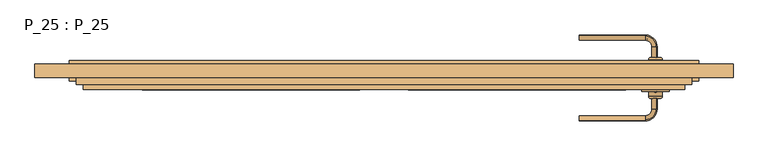
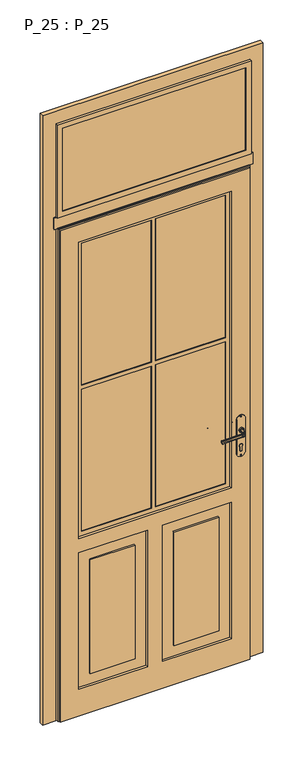
"""IFC4 building model written with IfcOpenShell, lengths in millimetres: door geometry, P_25 : P_25."""

from ifc_helpers import new_model, si_unit, point, frame, frame_2d, origin, place, context, project, spatial, polyline, circle_curve, ellipse_curve, trimmed, segment, composite_curve, outline, extrude, faceted_brep, source, transform, mapped, element, save
from ifc_brep_helpers import plane_surface, cylinder_surface, revolved_surface, extruded_surface, advanced_brep


def p_25_p_25_cb951100(model_context):
    return source(origin(), model_context, "Body", "SolidModel", [
        advanced_brep(
        [(394.9273163, 40.0, 1193.1672527), (390.4503476, 40.0, 1193.1672527), (392.688832, 40.0, 1193.1672527), (392.688832, 39.0934411, 1193.1672527)],
        [
            (0, 1, circle_curve(frame((392.688832, 40.0, 1193.1672527), z_axis=(0.0, 1.0, 0.0), x_axis=(-1.0, 0.0, 0.0)), 2.2384844)),
            (1, 2),
            (2, 0),
            (1, 0, circle_curve(frame((392.688832, 40.0, 1193.1672527), z_axis=(0.0, 1.0, 0.0), x_axis=(-1.0, 0.0, 0.0)), 2.2384844)),
            (3, 1, circle_curve(frame((392.688832, 42.3103648, 1193.1672527), z_axis=(0.0, 0.0, -1.0), x_axis=(0.0, -1.0, 0.0)), 3.2169236)),
            (0, 3, circle_curve(frame((392.688832, 42.3103648, 1193.1672527), z_axis=(0.0, 0.0, -1.0), x_axis=(0.0, -1.0, 0.0)), 3.2169236)),
        ],
        [
            plane_surface(frame((392.688832, 40.0, 1193.1672527), z_axis=(0.0, 1.0, 0.0), x_axis=(-1.0, 0.0, 0.0))),
            revolved_surface(trimmed(ellipse_curve(frame((392.688832, 42.3103648, 1193.1672527), z_axis=(0.0, 0.0, 1.0), x_axis=(0.0, -1.0, 0.0)), 3.2169236, 3.2169236), [point((390.4503476, 40.0, 1193.1672527))], [point((392.688832, 39.0934411, 1193.1672527))], True, "CARTESIAN"), (392.688832, 45.6130164, 1193.1672527), (0.0, -1.0, 0.0)),
        ],
        [
            (0, [[1, 2, 3]]),
            (0, [[4, -3, -2]]),
            (1, [[5, -1, 6]]),
            (1, [[-6, -4, -5]]),
        ],
    ),
        advanced_brep(
        [(393.9516044, 30.5, 1137.25687), (393.1589786, 30.5, 1134.910789), (393.1589786, 30.5, 1125.089211), (394.5519599, 30.5, 1123.0401367), (282.688832, -1.2627725, 1137.25687), (282.688832, -1.8631279, 1123.0401367), (282.688832, -0.4701466, 1125.089211), (282.688832, -0.4701466, 1134.910789), (394.5519599, 15.0, 1123.0401367), (393.9516044, 15.0, 1137.25687), (377.688832, -1.2627725, 1137.25687), (377.688832, -1.8631279, 1123.0401367), (393.1589786, 15.0, 1134.910789), (393.1589786, 15.0, 1125.089211), (377.688832, -0.4701466, 1134.910789), (377.688832, -0.4701466, 1125.089211)],
        [
            (0, 1, circle_curve(frame((393.7177685, 30.5, 1136.0289365), z_axis=(0.0, 1.0, 0.0), x_axis=(1.0, 0.0, 0.0)), 1.25)),
            (1, 2, ellipse_curve(frame((392.688832, 30.5, 1130.0), z_axis=(0.0, -1.0, 0.0), x_axis=(-1.0, 0.0, 0.0)), 2.5, 5.0)),
            (2, 3, circle_curve(frame((393.7177685, 30.5, 1123.9710635), z_axis=(0.0, 1.0, 0.0), x_axis=(1.0, 0.0, 0.0)), 1.25)),
            (3, 0, ellipse_curve(frame((392.688832, 30.5, 1130.0), z_axis=(0.0, 1.0, 0.0), x_axis=(0.0, 0.0, -1.0)), 7.5, 5.0)),
            (4, 5, ellipse_curve(frame((282.688832, 0.0, 1130.0), z_axis=(-1.0, 0.0, 0.0), x_axis=(0.0, 0.0, -1.0)), 7.5, 5.0)),
            (5, 6, circle_curve(frame((282.688832, -1.0289365, 1123.9710635), z_axis=(-1.0, 0.0, 0.0), x_axis=(0.0, -1.0, 0.0)), 1.25)),
            (6, 7, ellipse_curve(frame((282.688832, 0.0, 1130.0), z_axis=(1.0, 0.0, 0.0), x_axis=(0.0, 1.0, 0.0)), 2.5, 5.0)),
            (7, 4, circle_curve(frame((282.688832, -1.0289365, 1136.0289365), z_axis=(-1.0, 0.0, 0.0), x_axis=(0.0, -1.0, 0.0)), 1.25)),
            (3, 8),
            (8, 9, ellipse_curve(frame((392.688832, 15.0, 1130.0), z_axis=(0.0, 1.0, 0.0), x_axis=(0.0, 0.0, -1.0)), 7.5, 5.0)),
            (9, 0),
            (10, 11, ellipse_curve(frame((377.688832, 0.0, 1130.0), z_axis=(-1.0, 0.0, 0.0), x_axis=(0.0, 0.0, -1.0)), 7.5, 5.0)),
            (11, 5),
            (4, 10),
            (9, 12, circle_curve(frame((393.7177685, 15.0, 1136.0289365), z_axis=(0.0, 1.0, 0.0), x_axis=(1.0, 0.0, 0.0)), 1.25)),
            (12, 1),
            (12, 13, ellipse_curve(frame((392.688832, 15.0, 1130.0), z_axis=(0.0, -1.0, 0.0), x_axis=(0.0, 0.0, -1.0)), 5.0, 2.5)),
            (13, 2),
            (13, 8, circle_curve(frame((393.7177685, 15.0, 1123.9710635), z_axis=(0.0, 1.0, 0.0), x_axis=(1.0, 0.0, 0.0)), 1.25)),
            (14, 10, circle_curve(frame((377.688832, -1.0289365, 1136.0289365), z_axis=(-1.0, 0.0, 0.0), x_axis=(0.0, -1.0, 0.0)), 1.25)),
            (7, 14),
            (15, 14, ellipse_curve(frame((377.688832, 0.0, 1130.0), z_axis=(1.0, 0.0, 0.0), x_axis=(0.0, 0.0, -1.0)), 5.0, 2.5)),
            (6, 15),
            (11, 15, circle_curve(frame((377.688832, -1.0289365, 1123.9710635), z_axis=(-1.0, 0.0, 0.0), x_axis=(0.0, -1.0, 0.0)), 1.25)),
            (14, 12, circle_curve(frame((377.688832, 15.0, 1134.910789), z_axis=(0.0, 0.0, 1.0), x_axis=(1.0, 0.0, 0.0)), 15.4701466)),
            (9, 10, circle_curve(frame((377.688832, 15.0, 1137.25687), z_axis=(0.0, 0.0, -1.0), x_axis=(1.0, 0.0, 0.0)), 16.2627725)),
            (15, 13, circle_curve(frame((377.688832, 15.0, 1125.089211), z_axis=(0.0, 0.0, 1.0), x_axis=(1.0, 0.0, 0.0)), 15.4701466)),
            (11, 8, circle_curve(frame((377.688832, 15.0, 1123.0401367), z_axis=(0.0, 0.0, 1.0), x_axis=(1.0, 0.0, 0.0)), 16.8631279)),
        ],
        [
            plane_surface(frame((392.688832, 30.5, 0.0), z_axis=(0.0, 1.0, 0.0), x_axis=(0.0, 0.0, 1.0))),
            plane_surface(frame((282.688832, 0.0, 0.0), z_axis=(-1.0, 0.0, 0.0), x_axis=(0.0, 0.0, 1.0))),
            extruded_surface(trimmed(ellipse_curve(frame((392.688832, 15.0, 1130.0), z_axis=(0.0, 1.0, 0.0), x_axis=(0.0, 0.0, -1.0)), 7.5, 5.0), [point((394.5519599, 15.0, 1123.0401367))], [point((393.9516044, 15.0, 1137.25687))], True, "CARTESIAN"), (0.0, 15.5, 0.0), 15.5),
            extruded_surface(trimmed(ellipse_curve(frame((282.688832, 0.0, 1130.0), z_axis=(1.0, 0.0, 0.0), x_axis=(0.0, 0.0, -1.0)), 7.5, 5.0), [point((282.688832, -1.8631279, 1123.0401367))], [point((282.688832, -1.2627725, 1137.25687))], True, "CARTESIAN"), (95.0, 0.0, 0.0), 95.0),
            cylinder_surface(frame((393.7177685, 30.5, 1136.0289365), z_axis=(0.0, 1.0, 0.0), x_axis=(1.0, 0.0, 0.0)), 1.25),
            extruded_surface(trimmed(ellipse_curve(frame((392.688832, 15.0, 1130.0), z_axis=(0.0, -1.0, 0.0), x_axis=(-1.0, 0.0, 0.0)), 2.5, 5.0), [point((393.1589786, 15.0, 1134.910789))], [point((393.1589786, 15.0, 1125.089211))], True, "CARTESIAN"), (0.0, 15.5, 0.0), 15.5),
            cylinder_surface(frame((393.7177685, 30.5, 1123.9710635), z_axis=(0.0, 1.0, 0.0), x_axis=(1.0, 0.0, 0.0)), 1.25),
            cylinder_surface(frame((377.688832, -1.0289365, 1136.0289365), z_axis=(1.0, 0.0, 0.0), x_axis=(0.0, -1.0, 0.0)), 1.25),
            extruded_surface(trimmed(ellipse_curve(frame((282.688832, 0.0, 1130.0), z_axis=(-1.0, 0.0, 0.0), x_axis=(0.0, 1.0, 0.0)), 2.5, 5.0), [point((282.688832, -0.4701466, 1134.910789))], [point((282.688832, -0.4701466, 1125.089211))], True, "CARTESIAN"), (95.0, 0.0, 0.0), 95.0),
            cylinder_surface(frame((377.688832, -1.0289365, 1123.9710635), z_axis=(1.0, 0.0, 0.0), x_axis=(0.0, -1.0, 0.0)), 1.25),
            revolved_surface(trimmed(ellipse_curve(frame((393.7177685, 15.0, 1136.0289365), z_axis=(0.0, 1.0, 0.0), x_axis=(1.0, 0.0, 0.0)), 1.25, 1.25), [point((393.9516044, 15.0, 1137.25687))], [point((393.1589786, 15.0, 1134.910789))], True, "CARTESIAN"), (377.688832, 15.0, 0.0), (0.0, 0.0, -1.0)),
            revolved_surface(trimmed(ellipse_curve(frame((392.688832, 15.0, 1130.0), z_axis=(0.0, -1.0, 0.0), x_axis=(-1.0, 0.0, 0.0)), 2.5, 5.0), [point((393.1589786, 15.0, 1134.910789))], [point((393.1589786, 15.0, 1125.089211))], True, "CARTESIAN"), (377.688832, 15.0, 0.0), (0.0, 0.0, -1.0)),
            revolved_surface(trimmed(ellipse_curve(frame((393.7177685, 15.0, 1123.9710635), z_axis=(0.0, 1.0, 0.0), x_axis=(1.0, 0.0, 0.0)), 1.25, 1.25), [point((393.1589786, 15.0, 1125.089211))], [point((394.5519599, 15.0, 1123.0401367))], True, "CARTESIAN"), (377.688832, 15.0, 0.0), (0.0, 0.0, -1.0)),
            revolved_surface(trimmed(ellipse_curve(frame((392.688832, 15.0, 1130.0), z_axis=(0.0, 1.0, 0.0), x_axis=(0.0, 0.0, -1.0)), 7.5, 5.0), [point((394.5519599, 15.0, 1123.0401367))], [point((393.9516044, 15.0, 1137.25687))], True, "CARTESIAN"), (377.688832, 15.0, 0.0), (0.0, 0.0, -1.0)),
        ],
        [
            (0, [[1, 2, 3, 4]]),
            (1, [[5, 6, 7, 8]]),
            (2, [[-4, 9, 10, 11]]),
            (3, [[12, 13, -5, 14]]),
            (4, [[-1, -11, 15, 16]]),
            (5, [[-2, -16, 17, 18]]),
            (6, [[-3, -18, 19, -9]]),
            (7, [[20, -14, -8, 21]]),
            (8, [[22, -21, -7, 23]]),
            (9, [[24, -23, -6, -13]]),
            (10, [[25, -15, 26, -20]]),
            (11, [[27, -17, -25, -22]]),
            (12, [[28, -19, -27, -24]]),
            (13, [[-26, -10, -28, -12]]),
        ],
    ),
        advanced_brep(
        [(385.188832, 30.5, 1130.0), (400.188832, 30.5, 1130.0), (392.688832, 30.5, 1130.0), (382.688832, 33.0, 1130.0), (402.688832, 33.0, 1130.0), (382.688832, 40.0, 1130.0), (402.688832, 40.0, 1130.0), (392.688832, 40.0, 1130.0)],
        [
            (0, 1, circle_curve(frame((392.688832, 30.5, 1130.0), z_axis=(0.0, -1.0, 0.0), x_axis=(1.0, 0.0, 0.0)), 7.5)),
            (1, 2),
            (2, 0),
            (1, 0, circle_curve(frame((392.688832, 30.5, 1130.0), z_axis=(0.0, -1.0, 0.0), x_axis=(1.0, 0.0, 0.0)), 7.5)),
            (3, 4, circle_curve(frame((392.688832, 33.0, 1130.0), z_axis=(0.0, -1.0, 0.0), x_axis=(1.0, 0.0, 0.0)), 10.0)),
            (4, 1, circle_curve(frame((400.188832, 33.0, 1130.0), z_axis=(0.0, 0.0, -1.0), x_axis=(-1.0, 0.0, 0.0)), 2.5)),
            (0, 3, circle_curve(frame((385.188832, 33.0, 1130.0), z_axis=(0.0, 0.0, -1.0), x_axis=(1.0, 0.0, 0.0)), 2.5)),
            (4, 3, circle_curve(frame((392.688832, 33.0, 1130.0), z_axis=(0.0, -1.0, 0.0), x_axis=(1.0, 0.0, 0.0)), 10.0)),
            (5, 6, circle_curve(frame((392.688832, 40.0, 1130.0), z_axis=(0.0, -1.0, 0.0), x_axis=(1.0, 0.0, 0.0)), 10.0)),
            (6, 4),
            (3, 5),
            (6, 5, circle_curve(frame((392.688832, 40.0, 1130.0), z_axis=(0.0, -1.0, 0.0), x_axis=(1.0, 0.0, 0.0)), 10.0)),
            (7, 6),
            (5, 7),
        ],
        [
            plane_surface(frame((392.688832, 30.5, 1130.0), z_axis=(0.0, -1.0, 0.0), x_axis=(1.0, 0.0, 0.0))),
            revolved_surface(trimmed(ellipse_curve(frame((400.188832, 33.0, 1130.0), z_axis=(0.0, 0.0, 1.0), x_axis=(-1.0, 0.0, 0.0)), 2.5, 2.5), [point((400.188832, 30.5, 1130.0))], [point((402.688832, 33.0, 1130.0))], True, "CARTESIAN"), (392.688832, 33.0, 1130.0), (0.0, 1.0, 0.0)),
            cylinder_surface(frame((392.688832, 33.0, 1130.0), z_axis=(0.0, 1.0, 0.0), x_axis=(1.0, 0.0, 0.0)), 10.0),
            plane_surface(frame((392.688832, 40.0, 1130.0), z_axis=(0.0, 1.0, 0.0), x_axis=(1.0, 0.0, 0.0))),
        ],
        [
            (0, [[1, 2, 3]]),
            (0, [[4, -3, -2]]),
            (1, [[5, 6, -1, 7]]),
            (1, [[8, -7, -4, -6]]),
            (2, [[9, 10, -5, 11]]),
            (2, [[12, -11, -8, -10]]),
            (3, [[13, -9, 14]]),
            (3, [[-14, -12, -13]]),
        ],
    ),
        advanced_brep(
        [(394.9273163, 40.0, 1006.8327473), (390.4503476, 40.0, 1006.8327473), (392.688832, 40.0, 1006.8327473), (392.688832, 39.0934411, 1006.8327473)],
        [
            (0, 1, circle_curve(frame((392.688832, 40.0, 1006.8327473), z_axis=(0.0, 1.0, 0.0), x_axis=(-1.0, 0.0, 0.0)), 2.2384844)),
            (1, 2),
            (2, 0),
            (1, 0, circle_curve(frame((392.688832, 40.0, 1006.8327473), z_axis=(0.0, 1.0, 0.0), x_axis=(-1.0, 0.0, 0.0)), 2.2384844)),
            (3, 1, circle_curve(frame((392.688832, 42.3103648, 1006.8327473), z_axis=(0.0, 0.0, -1.0), x_axis=(0.0, -1.0, 0.0)), 3.2169236)),
            (0, 3, circle_curve(frame((392.688832, 42.3103648, 1006.8327473), z_axis=(0.0, 0.0, -1.0), x_axis=(0.0, -1.0, 0.0)), 3.2169236)),
        ],
        [
            plane_surface(frame((392.688832, 40.0, 1006.8327473), z_axis=(0.0, 1.0, 0.0), x_axis=(-1.0, 0.0, 0.0))),
            revolved_surface(trimmed(ellipse_curve(frame((392.688832, 42.3103648, 1006.8327473), z_axis=(0.0, 0.0, 1.0), x_axis=(0.0, -1.0, 0.0)), 3.2169236, 3.2169236), [point((390.4503476, 40.0, 1006.8327473))], [point((392.688832, 39.0934411, 1006.8327473))], True, "CARTESIAN"), (392.688832, 45.6130164, 1006.8327473), (0.0, -1.0, 0.0)),
        ],
        [
            (0, [[1, 2, 3]]),
            (0, [[4, -3, -2]]),
            (1, [[5, -1, 6]]),
            (1, [[-6, -4, -5]]),
        ],
    ),
        extrude(outline(composite_curve([segment(trimmed(circle_curve(frame_2d((1006.8212317, 392.688832)), 2.0), [point((1006.8212317, 394.688832))], [point((1006.8212317, 390.688832))], False, "CARTESIAN"), True, "CONTINUOUS"), segment(trimmed(circle_curve(frame_2d((1006.8212317, 392.688832)), 2.0), [point((1006.8212317, 390.688832))], [point((1006.8212317, 394.688832))], False, "CARTESIAN"), True, "CONTINUOUS")], self_intersect=False)), frame((0.0, 40.0, 0.0), z_axis=(0.0, 1.0, 0.0), x_axis=(0.0, 0.0, 1.0)), (0.0, 0.0, 1.0), 3.0),
        extrude(outline(composite_curve([segment(trimmed(circle_curve(frame_2d((1193.1787683, 392.688832)), 2.0), [point((1193.1787683, 394.688832))], [point((1193.1787683, 390.688832))], False, "CARTESIAN"), True, "CONTINUOUS"), segment(trimmed(circle_curve(frame_2d((1193.1787683, 392.688832)), 2.0), [point((1193.1787683, 390.688832))], [point((1193.1787683, 394.688832))], False, "CARTESIAN"), True, "CONTINUOUS")], self_intersect=False)), frame((0.0, 40.0, 0.0), z_axis=(0.0, 1.0, 0.0), x_axis=(0.0, 0.0, 1.0)), (0.0, 0.0, 1.0), 3.0),
        extrude(outline(composite_curve([segment(trimmed(circle_curve(frame_2d((1052.5, 392.688832)), 7.5), [point((1046.9098301, 397.688832))], [point((1046.9098301, 387.688832))], False, "CARTESIAN"), True, "CONTINUOUS"), segment(polyline([(1046.9098301, 387.688832), (1030.0, 387.688832)]), True, "CONTINUOUS"), segment(trimmed(circle_curve(frame_2d((1030.0, 392.688832)), 5.0), [point((1030.0, 387.688832))], [point((1030.0, 397.688832))], False, "CARTESIAN"), True, "CONTINUOUS"), segment(polyline([(1030.0, 397.688832), (1046.9098301, 397.688832)]), True, "CONTINUOUS")], self_intersect=False)), frame((0.0, 41.0, 0.0), z_axis=(0.0, 1.0, 0.0), x_axis=(0.0, 0.0, 1.0)), (0.0, 0.0, 1.0), 2.0),
        extrude(outline(composite_curve([segment(polyline([(1180.0, 372.688832), (1020.0, 372.688832)]), True, "CONTINUOUS"), segment(trimmed(circle_curve(frame_2d((1020.0, 392.688832)), 20.0), [point((1020.0, 372.688832))], [point((1020.0, 412.688832))], False, "CARTESIAN"), True, "CONTINUOUS"), segment(polyline([(1020.0, 412.688832), (1180.0, 412.688832)]), True, "CONTINUOUS"), segment(trimmed(circle_curve(frame_2d((1180.0, 392.688832)), 20.0), [point((1180.0, 412.688832))], [point((1180.0, 372.688832))], False, "CARTESIAN"), True, "CONTINUOUS")], self_intersect=False), holes=[composite_curve([segment(trimmed(circle_curve(frame_2d((1052.5, 392.688832)), 7.5), [point((1046.9098301, 387.688832))], [point((1046.9098301, 397.688832))], True, "CARTESIAN"), True, "CONTINUOUS"), segment(polyline([(1046.9098301, 397.688832), (1030.0, 397.688832)]), True, "CONTINUOUS"), segment(trimmed(circle_curve(frame_2d((1030.0, 392.688832)), 5.0), [point((1030.0, 397.688832))], [point((1030.0, 387.688832))], True, "CARTESIAN"), True, "CONTINUOUS"), segment(polyline([(1030.0, 387.688832), (1046.9098301, 387.688832)]), True, "CONTINUOUS")], self_intersect=False), composite_curve([segment(trimmed(circle_curve(frame_2d((1193.1787683, 392.688832)), 2.0), [point((1193.1787683, 390.688832))], [point((1193.1787683, 394.688832))], True, "CARTESIAN"), True, "CONTINUOUS"), segment(trimmed(circle_curve(frame_2d((1193.1787683, 392.688832)), 2.0), [point((1193.1787683, 394.688832))], [point((1193.1787683, 390.688832))], True, "CARTESIAN"), True, "CONTINUOUS")], self_intersect=False), composite_curve([segment(trimmed(circle_curve(frame_2d((1006.8212317, 392.688832)), 2.0), [point((1006.8212317, 390.688832))], [point((1006.8212317, 394.688832))], True, "CARTESIAN"), True, "CONTINUOUS"), segment(trimmed(circle_curve(frame_2d((1006.8212317, 392.688832)), 2.0), [point((1006.8212317, 394.688832))], [point((1006.8212317, 390.688832))], True, "CARTESIAN"), True, "CONTINUOUS")], self_intersect=False)]), frame((0.0, 40.0, 0.0), z_axis=(0.0, 1.0, 0.0), x_axis=(0.0, 0.0, 1.0)), (0.0, 0.0, 1.0), 3.0),
        advanced_brep(
        [(394.9273163, 80.0, 1193.1672527), (392.688832, 80.0, 1193.1672527), (390.4503476, 80.0, 1193.1672527), (392.688832, 80.9065589, 1193.1672527)],
        [
            (0, 1),
            (1, 2),
            (2, 0, circle_curve(frame((392.688832, 80.0, 1193.1672527), z_axis=(0.0, -1.0, 0.0), x_axis=(-1.0, 0.0, 0.0)), 2.2384844)),
            (0, 2, circle_curve(frame((392.688832, 80.0, 1193.1672527), z_axis=(0.0, -1.0, 0.0), x_axis=(-1.0, 0.0, 0.0)), 2.2384844)),
            (3, 0, circle_curve(frame((392.688832, 77.6896352, 1193.1672527), z_axis=(0.0, 0.0, -1.0), x_axis=(0.0, 1.0, 0.0)), 3.2169236)),
            (2, 3, circle_curve(frame((392.688832, 77.6896352, 1193.1672527), z_axis=(0.0, 0.0, -1.0), x_axis=(0.0, 1.0, 0.0)), 3.2169236)),
        ],
        [
            plane_surface(frame((392.688832, 80.0, 1193.1672527), z_axis=(0.0, -1.0, 0.0), x_axis=(-1.0, 0.0, 0.0))),
            revolved_surface(trimmed(ellipse_curve(frame((392.688832, 77.6896352, 1193.1672527), z_axis=(0.0, 0.0, -1.0), x_axis=(0.0, 1.0, 0.0)), 3.2169236, 3.2169236), [point((390.4503476, 80.0, 1193.1672527))], [point((392.688832, 80.9065589, 1193.1672527))], True, "CARTESIAN"), (392.688832, 74.3869836, 1193.1672527), (0.0, 1.0, 0.0)),
        ],
        [
            (0, [[1, 2, 3]]),
            (0, [[-2, -1, 4]]),
            (1, [[5, -3, 6]]),
            (1, [[-6, -4, -5]]),
        ],
    ),
        advanced_brep(
        [(393.9516044, 89.5, 1137.25687), (394.5519599, 89.5, 1123.0401367), (393.1589786, 89.5, 1125.089211), (393.1589786, 89.5, 1134.910789), (282.688832, 121.2627725, 1137.25687), (282.688832, 120.4701466, 1134.910789), (282.688832, 120.4701466, 1125.089211), (282.688832, 121.8631279, 1123.0401367), (393.9516044, 105.0, 1137.25687), (394.5519599, 105.0, 1123.0401367), (377.688832, 121.2627725, 1137.25687), (377.688832, 121.8631279, 1123.0401367), (393.1589786, 105.0, 1134.910789), (393.1589786, 105.0, 1125.089211), (377.688832, 120.4701466, 1134.910789), (377.688832, 120.4701466, 1125.089211)],
        [
            (0, 1, ellipse_curve(frame((392.688832, 89.5, 1130.0), z_axis=(0.0, -1.0, 0.0), x_axis=(0.0, 0.0, -1.0)), 7.5, 5.0)),
            (1, 2, circle_curve(frame((393.7177685, 89.5, 1123.9710635), z_axis=(0.0, -1.0, 0.0), x_axis=(1.0, 0.0, 0.0)), 1.25)),
            (2, 3, ellipse_curve(frame((392.688832, 89.5, 1130.0), z_axis=(0.0, 1.0, 0.0), x_axis=(-1.0, 0.0, 0.0)), 2.5, 5.0)),
            (3, 0, circle_curve(frame((393.7177685, 89.5, 1136.0289365), z_axis=(0.0, -1.0, 0.0), x_axis=(1.0, 0.0, 0.0)), 1.25)),
            (4, 5, circle_curve(frame((282.688832, 121.0289365, 1136.0289365), z_axis=(-1.0, 0.0, 0.0), x_axis=(0.0, 1.0, 0.0)), 1.25)),
            (5, 6, ellipse_curve(frame((282.688832, 120.0, 1130.0), z_axis=(1.0, 0.0, 0.0), x_axis=(0.0, -1.0, 0.0)), 2.5, 5.0)),
            (6, 7, circle_curve(frame((282.688832, 121.0289365, 1123.9710635), z_axis=(-1.0, 0.0, 0.0), x_axis=(0.0, 1.0, 0.0)), 1.25)),
            (7, 4, ellipse_curve(frame((282.688832, 120.0, 1130.0), z_axis=(-1.0, 0.0, 0.0), x_axis=(0.0, 0.0, -1.0)), 7.5, 5.0)),
            (0, 8),
            (8, 9, ellipse_curve(frame((392.688832, 105.0, 1130.0), z_axis=(0.0, -1.0, 0.0), x_axis=(0.0, 0.0, -1.0)), 7.5, 5.0)),
            (9, 1),
            (10, 4),
            (7, 11),
            (11, 10, ellipse_curve(frame((377.688832, 120.0, 1130.0), z_axis=(-1.0, 0.0, 0.0), x_axis=(0.0, 0.0, -1.0)), 7.5, 5.0)),
            (3, 12),
            (12, 8, circle_curve(frame((393.7177685, 105.0, 1136.0289365), z_axis=(0.0, -1.0, 0.0), x_axis=(1.0, 0.0, 0.0)), 1.25)),
            (2, 13),
            (13, 12, ellipse_curve(frame((392.688832, 105.0, 1130.0), z_axis=(0.0, 1.0, 0.0), x_axis=(0.0, 0.0, -1.0)), 5.0, 2.5)),
            (9, 13, circle_curve(frame((393.7177685, 105.0, 1123.9710635), z_axis=(0.0, -1.0, 0.0), x_axis=(1.0, 0.0, 0.0)), 1.25)),
            (14, 5),
            (10, 14, circle_curve(frame((377.688832, 121.0289365, 1136.0289365), z_axis=(-1.0, 0.0, 0.0), x_axis=(0.0, 1.0, 0.0)), 1.25)),
            (15, 6),
            (14, 15, ellipse_curve(frame((377.688832, 120.0, 1130.0), z_axis=(1.0, 0.0, 0.0), x_axis=(0.0, 0.0, -1.0)), 5.0, 2.5)),
            (15, 11, circle_curve(frame((377.688832, 121.0289365, 1123.9710635), z_axis=(-1.0, 0.0, 0.0), x_axis=(0.0, 1.0, 0.0)), 1.25)),
            (10, 8, circle_curve(frame((377.688832, 105.0, 1137.25687), z_axis=(0.0, 0.0, -1.0), x_axis=(1.0, 0.0, 0.0)), 16.2627725)),
            (12, 14, circle_curve(frame((377.688832, 105.0, 1134.910789), z_axis=(0.0, 0.0, 1.0), x_axis=(1.0, 0.0, 0.0)), 15.4701466)),
            (13, 15, circle_curve(frame((377.688832, 105.0, 1125.089211), z_axis=(0.0, 0.0, 1.0), x_axis=(1.0, 0.0, 0.0)), 15.4701466)),
            (9, 11, circle_curve(frame((377.688832, 105.0, 1123.0401367), z_axis=(0.0, 0.0, 1.0), x_axis=(1.0, 0.0, 0.0)), 16.8631279)),
        ],
        [
            plane_surface(frame((392.688832, 89.5, 0.0), z_axis=(0.0, -1.0, 0.0), x_axis=(0.0, 0.0, 1.0))),
            plane_surface(frame((282.688832, 120.0, 0.0), z_axis=(-1.0, 0.0, 0.0), x_axis=(0.0, 0.0, 1.0))),
            extruded_surface(trimmed(ellipse_curve(frame((392.688832, 89.5, 1130.0), z_axis=(0.0, 1.0, 0.0), x_axis=(0.0, 0.0, -1.0)), 7.5, 5.0), [point((394.5519599, 89.5, 1123.0401367))], [point((393.9516044, 89.5, 1137.25687))], True, "CARTESIAN"), (0.0, 15.5, 0.0), 15.5),
            extruded_surface(trimmed(ellipse_curve(frame((377.688832, 120.0, 1130.0), z_axis=(-1.0, 0.0, 0.0), x_axis=(0.0, 0.0, -1.0)), 7.5, 5.0), [point((377.688832, 121.8631279, 1123.0401367))], [point((377.688832, 121.2627725, 1137.25687))], True, "CARTESIAN"), (-95.0, 0.0, 0.0), 95.0),
            cylinder_surface(frame((393.7177685, 89.5, 1136.0289365), z_axis=(0.0, -1.0, 0.0), x_axis=(1.0, 0.0, 0.0)), 1.25),
            extruded_surface(trimmed(ellipse_curve(frame((392.688832, 89.5, 1130.0), z_axis=(0.0, -1.0, 0.0), x_axis=(-1.0, 0.0, 0.0)), 2.5, 5.0), [point((393.1589786, 89.5, 1134.910789))], [point((393.1589786, 89.5, 1125.089211))], True, "CARTESIAN"), (0.0, 15.5, 0.0), 15.5),
            cylinder_surface(frame((393.7177685, 89.5, 1123.9710635), z_axis=(0.0, -1.0, 0.0), x_axis=(1.0, 0.0, 0.0)), 1.25),
            cylinder_surface(frame((377.688832, 121.0289365, 1136.0289365), z_axis=(1.0, 0.0, 0.0), x_axis=(0.0, 1.0, 0.0)), 1.25),
            extruded_surface(trimmed(ellipse_curve(frame((377.688832, 120.0, 1130.0), z_axis=(1.0, 0.0, 0.0), x_axis=(0.0, -1.0, 0.0)), 2.5, 5.0), [point((377.688832, 120.4701466, 1134.910789))], [point((377.688832, 120.4701466, 1125.089211))], True, "CARTESIAN"), (-95.0, 0.0, 0.0), 95.0),
            cylinder_surface(frame((377.688832, 121.0289365, 1123.9710635), z_axis=(1.0, 0.0, 0.0), x_axis=(0.0, 1.0, 0.0)), 1.25),
            revolved_surface(trimmed(ellipse_curve(frame((393.7177685, 105.0, 1136.0289365), z_axis=(0.0, 1.0, 0.0), x_axis=(1.0, 0.0, 0.0)), 1.25, 1.25), [point((393.9516044, 105.0, 1137.25687))], [point((393.1589786, 105.0, 1134.910789))], True, "CARTESIAN"), (377.688832, 105.0, 0.0), (0.0, 0.0, -1.0)),
            revolved_surface(trimmed(ellipse_curve(frame((392.688832, 105.0, 1130.0), z_axis=(0.0, -1.0, 0.0), x_axis=(-1.0, 0.0, 0.0)), 2.5, 5.0), [point((393.1589786, 105.0, 1134.910789))], [point((393.1589786, 105.0, 1125.089211))], True, "CARTESIAN"), (377.688832, 105.0, 0.0), (0.0, 0.0, -1.0)),
            revolved_surface(trimmed(ellipse_curve(frame((393.7177685, 105.0, 1123.9710635), z_axis=(0.0, 1.0, 0.0), x_axis=(1.0, 0.0, 0.0)), 1.25, 1.25), [point((393.1589786, 105.0, 1125.089211))], [point((394.5519599, 105.0, 1123.0401367))], True, "CARTESIAN"), (377.688832, 105.0, 0.0), (0.0, 0.0, -1.0)),
            revolved_surface(trimmed(ellipse_curve(frame((392.688832, 105.0, 1130.0), z_axis=(0.0, 1.0, 0.0), x_axis=(0.0, 0.0, -1.0)), 7.5, 5.0), [point((394.5519599, 105.0, 1123.0401367))], [point((393.9516044, 105.0, 1137.25687))], True, "CARTESIAN"), (377.688832, 105.0, 0.0), (0.0, 0.0, -1.0)),
        ],
        [
            (0, [[1, 2, 3, 4]]),
            (1, [[5, 6, 7, 8]]),
            (2, [[9, 10, 11, -1]]),
            (3, [[12, -8, 13, 14]]),
            (4, [[15, 16, -9, -4]]),
            (5, [[17, 18, -15, -3]]),
            (6, [[-11, 19, -17, -2]]),
            (7, [[20, -5, -12, 21]]),
            (8, [[22, -6, -20, 23]]),
            (9, [[-13, -7, -22, 24]]),
            (10, [[-21, 25, -16, 26]]),
            (11, [[-23, -26, -18, 27]]),
            (12, [[-24, -27, -19, 28]]),
            (13, [[-14, -28, -10, -25]]),
        ],
    ),
        advanced_brep(
        [(385.188832, 89.5, 1130.0), (392.688832, 89.5, 1130.0), (400.188832, 89.5, 1130.0), (382.688832, 87.0, 1130.0), (402.688832, 87.0, 1130.0), (382.688832, 80.0, 1130.0), (402.688832, 80.0, 1130.0), (392.688832, 80.0, 1130.0)],
        [
            (0, 1),
            (1, 2),
            (2, 0, circle_curve(frame((392.688832, 89.5, 1130.0), z_axis=(0.0, 1.0, 0.0), x_axis=(1.0, 0.0, 0.0)), 7.5)),
            (0, 2, circle_curve(frame((392.688832, 89.5, 1130.0), z_axis=(0.0, 1.0, 0.0), x_axis=(1.0, 0.0, 0.0)), 7.5)),
            (3, 0, circle_curve(frame((385.188832, 87.0, 1130.0), z_axis=(0.0, 0.0, -1.0), x_axis=(1.0, 0.0, 0.0)), 2.5)),
            (2, 4, circle_curve(frame((400.188832, 87.0, 1130.0), z_axis=(0.0, 0.0, -1.0), x_axis=(-1.0, 0.0, 0.0)), 2.5)),
            (4, 3, circle_curve(frame((392.688832, 87.0, 1130.0), z_axis=(0.0, 1.0, 0.0), x_axis=(1.0, 0.0, 0.0)), 10.0)),
            (3, 4, circle_curve(frame((392.688832, 87.0, 1130.0), z_axis=(0.0, 1.0, 0.0), x_axis=(1.0, 0.0, 0.0)), 10.0)),
            (5, 3),
            (4, 6),
            (6, 5, circle_curve(frame((392.688832, 80.0, 1130.0), z_axis=(0.0, 1.0, 0.0), x_axis=(1.0, 0.0, 0.0)), 10.0)),
            (5, 6, circle_curve(frame((392.688832, 80.0, 1130.0), z_axis=(0.0, 1.0, 0.0), x_axis=(1.0, 0.0, 0.0)), 10.0)),
            (7, 5),
            (6, 7),
        ],
        [
            plane_surface(frame((392.688832, 89.5, 1130.0), z_axis=(0.0, 1.0, 0.0), x_axis=(1.0, 0.0, 0.0))),
            revolved_surface(trimmed(ellipse_curve(frame((400.188832, 87.0, 1130.0), z_axis=(0.0, 0.0, -1.0), x_axis=(-1.0, 0.0, 0.0)), 2.5, 2.5), [point((400.188832, 89.5, 1130.0))], [point((402.688832, 87.0, 1130.0))], True, "CARTESIAN"), (392.688832, 87.0, 1130.0), (0.0, -1.0, 0.0)),
            cylinder_surface(frame((392.688832, 87.0, 1130.0), z_axis=(0.0, -1.0, 0.0), x_axis=(1.0, 0.0, 0.0)), 10.0),
            plane_surface(frame((392.688832, 80.0, 1130.0), z_axis=(0.0, -1.0, 0.0), x_axis=(1.0, 0.0, 0.0))),
        ],
        [
            (0, [[1, 2, 3]]),
            (0, [[-2, -1, 4]]),
            (1, [[5, -3, 6, 7]]),
            (1, [[-6, -4, -5, 8]]),
            (2, [[9, -7, 10, 11]]),
            (2, [[-10, -8, -9, 12]]),
            (3, [[13, -11, 14]]),
            (3, [[-14, -12, -13]]),
        ],
    ),
        advanced_brep(
        [(394.9273163, 80.0, 1006.8327473), (392.688832, 80.0, 1006.8327473), (390.4503476, 80.0, 1006.8327473), (392.688832, 80.9065589, 1006.8327473)],
        [
            (0, 1),
            (1, 2),
            (2, 0, circle_curve(frame((392.688832, 80.0, 1006.8327473), z_axis=(0.0, -1.0, 0.0), x_axis=(-1.0, 0.0, 0.0)), 2.2384844)),
            (0, 2, circle_curve(frame((392.688832, 80.0, 1006.8327473), z_axis=(0.0, -1.0, 0.0), x_axis=(-1.0, 0.0, 0.0)), 2.2384844)),
            (3, 0, circle_curve(frame((392.688832, 77.6896352, 1006.8327473), z_axis=(0.0, 0.0, -1.0), x_axis=(0.0, 1.0, 0.0)), 3.2169236)),
            (2, 3, circle_curve(frame((392.688832, 77.6896352, 1006.8327473), z_axis=(0.0, 0.0, -1.0), x_axis=(0.0, 1.0, 0.0)), 3.2169236)),
        ],
        [
            plane_surface(frame((392.688832, 80.0, 1006.8327473), z_axis=(0.0, -1.0, 0.0), x_axis=(-1.0, 0.0, 0.0))),
            revolved_surface(trimmed(ellipse_curve(frame((392.688832, 77.6896352, 1006.8327473), z_axis=(0.0, 0.0, -1.0), x_axis=(0.0, 1.0, 0.0)), 3.2169236, 3.2169236), [point((390.4503476, 80.0, 1006.8327473))], [point((392.688832, 80.9065589, 1006.8327473))], True, "CARTESIAN"), (392.688832, 74.3869836, 1006.8327473), (0.0, 1.0, 0.0)),
        ],
        [
            (0, [[1, 2, 3]]),
            (0, [[-2, -1, 4]]),
            (1, [[5, -3, 6]]),
            (1, [[-6, -4, -5]]),
        ],
    ),
        extrude(outline(composite_curve([segment(trimmed(circle_curve(frame_2d((1006.8212317, 392.688832)), 2.0), [point((1006.8212317, 394.688832))], [point((1006.8212317, 390.688832))], False, "CARTESIAN"), True, "CONTINUOUS"), segment(trimmed(circle_curve(frame_2d((1006.8212317, 392.688832)), 2.0), [point((1006.8212317, 390.688832))], [point((1006.8212317, 394.688832))], False, "CARTESIAN"), True, "CONTINUOUS")], self_intersect=False)), frame((0.0, 77.0, 0.0), z_axis=(0.0, 1.0, 0.0), x_axis=(0.0, 0.0, 1.0)), (0.0, 0.0, 1.0), 3.0),
        extrude(outline(composite_curve([segment(trimmed(circle_curve(frame_2d((1193.1787683, 392.688832)), 2.0), [point((1193.1787683, 394.688832))], [point((1193.1787683, 390.688832))], False, "CARTESIAN"), True, "CONTINUOUS"), segment(trimmed(circle_curve(frame_2d((1193.1787683, 392.688832)), 2.0), [point((1193.1787683, 390.688832))], [point((1193.1787683, 394.688832))], False, "CARTESIAN"), True, "CONTINUOUS")], self_intersect=False)), frame((0.0, 77.0, 0.0), z_axis=(0.0, 1.0, 0.0), x_axis=(0.0, 0.0, 1.0)), (0.0, 0.0, 1.0), 3.0),
        extrude(outline(composite_curve([segment(trimmed(circle_curve(frame_2d((1052.5, 392.688832)), 7.5), [point((1046.9098301, 397.688832))], [point((1046.9098301, 387.688832))], False, "CARTESIAN"), True, "CONTINUOUS"), segment(polyline([(1046.9098301, 387.688832), (1030.0, 387.688832)]), True, "CONTINUOUS"), segment(trimmed(circle_curve(frame_2d((1030.0, 392.688832)), 5.0), [point((1030.0, 387.688832))], [point((1030.0, 397.688832))], False, "CARTESIAN"), True, "CONTINUOUS"), segment(polyline([(1030.0, 397.688832), (1046.9098301, 397.688832)]), True, "CONTINUOUS")], self_intersect=False)), frame((0.0, 77.0, 0.0), z_axis=(0.0, 1.0, 0.0), x_axis=(0.0, 0.0, 1.0)), (0.0, 0.0, 1.0), 2.0),
        extrude(outline(composite_curve([segment(polyline([(1180.0, 372.688832), (1020.0, 372.688832)]), True, "CONTINUOUS"), segment(trimmed(circle_curve(frame_2d((1020.0, 392.688832)), 20.0), [point((1020.0, 372.688832))], [point((1020.0, 412.688832))], False, "CARTESIAN"), True, "CONTINUOUS"), segment(polyline([(1020.0, 412.688832), (1180.0, 412.688832)]), True, "CONTINUOUS"), segment(trimmed(circle_curve(frame_2d((1180.0, 392.688832)), 20.0), [point((1180.0, 412.688832))], [point((1180.0, 372.688832))], False, "CARTESIAN"), True, "CONTINUOUS")], self_intersect=False), holes=[composite_curve([segment(trimmed(circle_curve(frame_2d((1052.5, 392.688832)), 7.5), [point((1046.9098301, 387.688832))], [point((1046.9098301, 397.688832))], True, "CARTESIAN"), True, "CONTINUOUS"), segment(polyline([(1046.9098301, 397.688832), (1030.0, 397.688832)]), True, "CONTINUOUS"), segment(trimmed(circle_curve(frame_2d((1030.0, 392.688832)), 5.0), [point((1030.0, 397.688832))], [point((1030.0, 387.688832))], True, "CARTESIAN"), True, "CONTINUOUS"), segment(polyline([(1030.0, 387.688832), (1046.9098301, 387.688832)]), True, "CONTINUOUS")], self_intersect=False), composite_curve([segment(trimmed(circle_curve(frame_2d((1193.1787683, 392.688832)), 2.0), [point((1193.1787683, 390.688832))], [point((1193.1787683, 394.688832))], True, "CARTESIAN"), True, "CONTINUOUS"), segment(trimmed(circle_curve(frame_2d((1193.1787683, 392.688832)), 2.0), [point((1193.1787683, 394.688832))], [point((1193.1787683, 390.688832))], True, "CARTESIAN"), True, "CONTINUOUS")], self_intersect=False), composite_curve([segment(trimmed(circle_curve(frame_2d((1006.8212317, 392.688832)), 2.0), [point((1006.8212317, 390.688832))], [point((1006.8212317, 394.688832))], True, "CARTESIAN"), True, "CONTINUOUS"), segment(trimmed(circle_curve(frame_2d((1006.8212317, 392.688832)), 2.0), [point((1006.8212317, 394.688832))], [point((1006.8212317, 390.688832))], True, "CARTESIAN"), True, "CONTINUOUS")], self_intersect=False)]), frame((0.0, 77.0, 0.0), z_axis=(0.0, 1.0, 0.0), x_axis=(0.0, 0.0, 1.0)), (0.0, 0.0, 1.0), 3.0),
        extrude(outline(polyline([(0.0, 435.0), (2380.0, 435.0), (2380.0, -435.0), (0.0, -435.0), (0.0, 435.0)]), holes=[polyline([(860.0, 350.0), (860.0, -350.0), (2295.0, -350.0), (2295.0, 350.0), (860.0, 350.0)]), polyline([(790.0, -35.0), (130.0, -35.0), (130.0, -350.0), (790.0, -350.0), (790.0, -35.0)]), polyline([(130.0, 35.0), (790.0, 35.0), (790.0, 350.0), (130.0, 350.0), (130.0, 35.0)])]), frame((0.0, 65.0, 0.0), z_axis=(0.0, 1.0, 0.0), x_axis=(0.0, 0.0, 1.0)), (0.0, 0.0, 1.0), 12.0),
        extrude(outline(polyline([(2385.0, -440.0), (0.0, -440.0), (0.0, 440.0), (2385.0, 440.0), (2385.0, -440.0)]), holes=[polyline([(880.0, 10.0), (1567.5, 10.0), (1567.5, 330.0), (880.0, 330.0), (880.0, 10.0)]), polyline([(2275.0, -10.0), (1587.5, -10.0), (1587.5, -330.0), (2275.0, -330.0), (2275.0, -10.0)]), polyline([(1587.5, 330.0), (1587.5, 10.0), (2275.0, 10.0), (2275.0, 330.0), (1587.5, 330.0)]), polyline([(1567.5, -330.0), (1567.5, -10.0), (880.0, -10.0), (880.0, -330.0), (1567.5, -330.0)])]), frame((0.0, 55.0, 0.0), z_axis=(0.0, 1.0, 0.0), x_axis=(0.0, 0.0, 1.0)), (0.0, 0.0, 1.0), 10.0),
        extrude(outline(polyline([(0.0, 435.0), (2380.0, 435.0), (2380.0, -435.0), (0.0, -435.0), (0.0, 435.0)]), holes=[polyline([(790.0, -35.0), (130.0, -35.0), (130.0, -350.0), (790.0, -350.0), (790.0, -35.0)]), polyline([(130.0, 35.0), (790.0, 35.0), (790.0, 350.0), (130.0, 350.0), (130.0, 35.0)]), polyline([(860.0, 350.0), (860.0, -350.0), (2295.0, -350.0), (2295.0, 350.0), (860.0, 350.0)])]), frame((0.0, 43.0, 0.0), z_axis=(0.0, 1.0, 0.0), x_axis=(0.0, 0.0, 1.0)), (0.0, 0.0, 1.0), 12.0),
        extrude(outline(polyline([(0.0, 435.0), (0.0, 440.0), (2385.0, 440.0), (2385.0, -440.0), (0.0, -440.0), (0.0, -435.0), (2380.0, -435.0), (2380.0, 435.0), (0.0, 435.0)])), frame((0.0, 50.0, 0.0), z_axis=(0.0, 1.0, 0.0), x_axis=(0.0, 0.0, 1.0)), (0.0, 0.0, 1.0), 5.0),
        faceted_brep([(455.0, 55.0, 2440.0), (455.0, 55.0, 2385.0), (455.0, 60.0, 2385.0), (455.0, 60.0, 2440.0), (-455.0, 80.0, 0.0), (-505.0, 80.0, 0.0), (-505.0, 80.0, 2950.0), (505.0, 80.0, 2950.0), (505.0, 80.0, 0.0), (455.0, 80.0, 0.0), (455.0, 80.0, 2380.0), (455.0, 80.0, 2450.0), (455.0, 80.0, 2900.0), (-455.0, 80.0, 2900.0), (-455.0, 80.0, 2450.0), (-455.0, 80.0, 2380.0), (505.0, 60.0, 0.0), (445.0, 60.0, 0.0), (445.0, 70.0, 0.0), (435.0, 70.0, 0.0), (435.0, 85.0, 0.0), (455.0, 85.0, 0.0), (435.0, 80.0, 2380.0), (-435.0, 80.0, 2380.0), (-435.0, 80.0, 2450.0), (435.0, 80.0, 2450.0), (-455.0, 85.0, 0.0), (-435.0, 85.0, 0.0), (-435.0, 70.0, 0.0), (-445.0, 70.0, 0.0), (-445.0, 60.0, 0.0), (-505.0, 60.0, 0.0), (-455.0, 55.0, 2385.0), (-455.0, 55.0, 2440.0), (-455.0, 60.0, 2440.0), (-455.0, 60.0, 2385.0), (445.0, 60.0, 2385.0), (445.0, 65.0, 2385.0), (445.0, 65.0, 2380.0), (445.0, 70.0, 2380.0), (445.0, 60.0, 2890.0), (445.0, 70.0, 2890.0), (445.0, 70.0, 2450.0), (445.0, 65.0, 2450.0), (445.0, 65.0, 2440.0), (445.0, 60.0, 2440.0), (505.0, 60.0, 2950.0), (-505.0, 60.0, 2950.0), (-445.0, 70.0, 2380.0), (-445.0, 65.0, 2380.0), (-445.0, 65.0, 2385.0), (-445.0, 60.0, 2385.0), (-445.0, 70.0, 2890.0), (-445.0, 60.0, 2890.0), (-445.0, 60.0, 2440.0), (-445.0, 65.0, 2440.0), (-445.0, 65.0, 2450.0), (-445.0, 70.0, 2450.0), (435.0, 85.0, 2880.0), (435.0, 70.0, 2380.0), (435.0, 70.0, 2450.0), (435.0, 70.0, 2880.0), (-435.0, 85.0, 2880.0), (-435.0, 70.0, 2880.0), (-435.0, 70.0, 2450.0), (-435.0, 70.0, 2380.0), (455.0, 85.0, 2900.0), (-455.0, 85.0, 2900.0)], [[[0, 1, 2, 3]], [[4, 5, 6, 7, 8, 9, 10, 11, 12, 13, 14, 15]], [[9, 8, 16, 17, 18, 19, 20, 21]], [[22, 23, 24, 25]], [[5, 4, 26, 27, 28, 29, 30, 31]], [[32, 33, 34, 35]], [[1, 0, 33, 32]], [[18, 17, 36, 37, 38, 39]], [[40, 41, 42, 43, 44, 45]], [[8, 7, 46, 16]], [[5, 31, 47, 6]], [[30, 29, 48, 49, 50, 51]], [[52, 53, 54, 55, 56, 57]], [[49, 38, 37, 50]], [[58, 20, 19, 59, 22, 25, 60, 61]], [[28, 27, 62, 63, 64, 24, 23, 65]], [[13, 12, 66, 67]], [[38, 49, 48, 65, 23, 22, 59, 39]], [[33, 0, 3, 45, 44, 55, 54, 34]], [[52, 41, 40, 53]], [[1, 32, 35, 51, 50, 37, 36, 2]], [[7, 6, 47, 46]], [[62, 58, 61, 63]], [[25, 24, 64, 57, 56, 43, 42, 60]], [[26, 4, 15, 14, 13, 67]], [[27, 26, 67, 66, 21, 20, 58, 62]], [[19, 18, 39, 59]], [[29, 28, 65, 48]], [[63, 61, 60, 42, 41, 52, 57, 64]], [[31, 30, 51, 35, 34, 54, 53, 40, 45, 3, 2, 36, 17, 16, 46, 47]], [[21, 66, 12, 11, 10, 9]], [[43, 56, 55, 44]]]),
        extrude(outline(polyline([(295.0, 65.0), (90.0, 65.0), (90.0, 73.0), (295.0, 73.0), (295.0, 65.0)])), frame((0.0, 0.0, 185.0), z_axis=(0.0, 0.0, 1.0), x_axis=(1.0, 0.0, 0.0)), (0.0, 0.0, 1.0), 550.0),
        extrude(outline(polyline([(-90.0, 65.0), (-295.0, 65.0), (-295.0, 73.0), (-90.0, 73.0), (-90.0, 65.0)])), frame((0.0, 0.0, 185.0), z_axis=(0.0, 0.0, 1.0), x_axis=(1.0, 0.0, 0.0)), (0.0, 0.0, 1.0), 550.0),
        extrude(outline(polyline([(90.0, 55.0), (295.0, 55.0), (295.0, 47.0), (90.0, 47.0), (90.0, 55.0)])), frame((0.0, 0.0, 185.0), z_axis=(0.0, 0.0, 1.0), x_axis=(1.0, 0.0, 0.0)), (0.0, 0.0, 1.0), 550.0),
        extrude(outline(polyline([(-295.0, 55.0), (-90.0, 55.0), (-90.0, 47.0), (-295.0, 47.0), (-295.0, 55.0)])), frame((0.0, 0.0, 185.0), z_axis=(0.0, 0.0, 1.0), x_axis=(1.0, 0.0, 0.0)), (0.0, 0.0, 1.0), 550.0),
        extrude(outline(polyline([(2880.0, 205.0), (2670.0, 205.0), (2670.0, 5.0), (2880.0, 5.0), (2880.0, -5.0), (2670.0, -5.0), (2670.0, -205.0), (2880.0, -205.0), (2880.0, -215.0), (2670.0, -215.0), (2670.0, -435.0), (2660.0, -435.0), (2660.0, -215.0), (2450.0, -215.0), (2450.0, -205.0), (2660.0, -205.0), (2660.0, -5.0), (2450.0, -5.0), (2450.0, 5.0), (2660.0, 5.0), (2660.0, 205.0), (2450.0, 205.0), (2450.0, 215.0), (2660.0, 215.0), (2660.0, 435.0), (2670.0, 435.0), (2670.0, 215.0), (2880.0, 215.0), (2880.0, 205.0)])), frame((0.0, 68.0, 0.0), z_axis=(0.0, 1.0, 0.0), x_axis=(0.0, 0.0, 1.0)), (0.0, 0.0, 1.0), 2.0),
        extrude(outline(polyline([(420.0, 53.0), (-420.0, 53.0), (-420.0, 57.0), (420.0, 57.0), (420.0, 53.0)])), frame((0.0, 0.0, 2465.0), z_axis=(0.0, 0.0, 1.0), x_axis=(1.0, 0.0, 0.0)), (0.0, 0.0, 1.0), 400.0),
        extrude(outline(polyline([(2440.0, -445.0), (2440.0, 445.0), (2890.0, 445.0), (2890.0, -445.0), (2440.0, -445.0)]), holes=[polyline([(2865.0, -420.0), (2865.0, 420.0), (2465.0, 420.0), (2465.0, -420.0), (2865.0, -420.0)])]), frame((0.0, 50.0, 0.0), z_axis=(0.0, 1.0, 0.0), x_axis=(0.0, 0.0, 1.0)), (0.0, 0.0, 1.0), 10.0),
        extrude(outline(composite_curve([segment(trimmed(circle_curve(frame_2d((1175.0, 204.0)), 12.5), [point((1175.0, 191.5))], [point((1175.0, 216.5))], False, "CARTESIAN"), True, "CONTINUOUS"), segment(trimmed(circle_curve(frame_2d((1175.0, 204.0)), 12.5), [point((1175.0, 216.5))], [point((1175.0, 191.5))], False, "CARTESIAN"), True, "CONTINUOUS")], self_intersect=False)), frame((0.0, 71.5, 0.0), z_axis=(0.0, 1.0, 0.0), x_axis=(0.0, 0.0, 1.0)), (0.0, 0.0, 1.0), 2.5),
        extrude(outline(composite_curve([segment(trimmed(circle_curve(frame_2d((1175.0, 68.0)), 12.5), [point((1175.0, 55.5))], [point((1175.0, 80.5))], False, "CARTESIAN"), True, "CONTINUOUS"), segment(trimmed(circle_curve(frame_2d((1175.0, 68.0)), 12.5), [point((1175.0, 80.5))], [point((1175.0, 55.5))], False, "CARTESIAN"), True, "CONTINUOUS")], self_intersect=False)), frame((0.0, 71.5, 0.0), z_axis=(0.0, 1.0, 0.0), x_axis=(0.0, 0.0, 1.0)), (0.0, 0.0, 1.0), 2.5),
        extrude(outline(composite_curve([segment(trimmed(circle_curve(frame_2d((1175.0, -68.0)), 12.5), [point((1175.0, -80.5))], [point((1175.0, -55.5))], False, "CARTESIAN"), True, "CONTINUOUS"), segment(trimmed(circle_curve(frame_2d((1175.0, -68.0)), 12.5), [point((1175.0, -55.5))], [point((1175.0, -80.5))], False, "CARTESIAN"), True, "CONTINUOUS")], self_intersect=False)), frame((0.0, 71.5, 0.0), z_axis=(0.0, 1.0, 0.0), x_axis=(0.0, 0.0, 1.0)), (0.0, 0.0, 1.0), 2.5),
        extrude(outline(composite_curve([segment(trimmed(circle_curve(frame_2d((1175.0, -204.0)), 12.5), [point((1175.0, -216.5))], [point((1175.0, -191.5))], False, "CARTESIAN"), True, "CONTINUOUS"), segment(trimmed(circle_curve(frame_2d((1175.0, -204.0)), 12.5), [point((1175.0, -191.5))], [point((1175.0, -216.5))], False, "CARTESIAN"), True, "CONTINUOUS")], self_intersect=False)), frame((0.0, 71.5, 0.0), z_axis=(0.0, 1.0, 0.0), x_axis=(0.0, 0.0, 1.0)), (0.0, 0.0, 1.0), 2.5),
        extrude(outline(composite_curve([segment(trimmed(circle_curve(frame_2d((1485.0, 204.0)), 12.5), [point((1485.0, 191.5))], [point((1485.0, 216.5))], False, "CARTESIAN"), True, "CONTINUOUS"), segment(trimmed(circle_curve(frame_2d((1485.0, 204.0)), 12.5), [point((1485.0, 216.5))], [point((1485.0, 191.5))], False, "CARTESIAN"), True, "CONTINUOUS")], self_intersect=False)), frame((0.0, 71.5, 0.0), z_axis=(0.0, 1.0, 0.0), x_axis=(0.0, 0.0, 1.0)), (0.0, 0.0, 1.0), 2.5),
        extrude(outline(composite_curve([segment(trimmed(circle_curve(frame_2d((1485.0, 68.0)), 12.5), [point((1485.0, 55.5))], [point((1485.0, 80.5))], False, "CARTESIAN"), True, "CONTINUOUS"), segment(trimmed(circle_curve(frame_2d((1485.0, 68.0)), 12.5), [point((1485.0, 80.5))], [point((1485.0, 55.5))], False, "CARTESIAN"), True, "CONTINUOUS")], self_intersect=False)), frame((0.0, 71.5, 0.0), z_axis=(0.0, 1.0, 0.0), x_axis=(0.0, 0.0, 1.0)), (0.0, 0.0, 1.0), 2.5),
        extrude(outline(composite_curve([segment(trimmed(circle_curve(frame_2d((1485.0, -68.0)), 12.5), [point((1485.0, -80.5))], [point((1485.0, -55.5))], False, "CARTESIAN"), True, "CONTINUOUS"), segment(trimmed(circle_curve(frame_2d((1485.0, -68.0)), 12.5), [point((1485.0, -55.5))], [point((1485.0, -80.5))], False, "CARTESIAN"), True, "CONTINUOUS")], self_intersect=False)), frame((0.0, 71.5, 0.0), z_axis=(0.0, 1.0, 0.0), x_axis=(0.0, 0.0, 1.0)), (0.0, 0.0, 1.0), 2.5),
        extrude(outline(composite_curve([segment(trimmed(circle_curve(frame_2d((1485.0, -204.0)), 12.5), [point((1485.0, -216.5))], [point((1485.0, -191.5))], False, "CARTESIAN"), True, "CONTINUOUS"), segment(trimmed(circle_curve(frame_2d((1485.0, -204.0)), 12.5), [point((1485.0, -191.5))], [point((1485.0, -216.5))], False, "CARTESIAN"), True, "CONTINUOUS")], self_intersect=False)), frame((0.0, 71.5, 0.0), z_axis=(0.0, 1.0, 0.0), x_axis=(0.0, 0.0, 1.0)), (0.0, 0.0, 1.0), 2.5),
        extrude(outline(polyline([(1490.0, 63.0), (1490.0, -63.0), (2285.0, -63.0), (2285.0, -73.0), (1490.0, -73.0), (1490.0, -199.0), (2285.0, -199.0), (2285.0, -209.0), (1490.0, -209.0), (1490.0, -340.0), (1480.0, -340.0), (1480.0, -209.0), (1180.0, -209.0), (1180.0, -340.0), (1170.0, -340.0), (1170.0, -209.0), (870.0, -209.0), (870.0, -199.0), (1170.0, -199.0), (1170.0, -73.0), (870.0, -73.0), (870.0, -63.0), (1170.0, -63.0), (1170.0, 63.0), (870.0, 63.0), (870.0, 73.0), (1170.0, 73.0), (1170.0, 199.0), (870.0, 199.0), (870.0, 209.0), (1170.0, 209.0), (1170.0, 340.0), (1180.0, 340.0), (1180.0, 209.0), (1480.0, 209.0), (1480.0, 340.0), (1490.0, 340.0), (1490.0, 209.0), (2285.0, 209.0), (2285.0, 199.0), (1490.0, 199.0), (1490.0, 73.0), (2285.0, 73.0), (2285.0, 63.0), (1490.0, 63.0)]), holes=[polyline([(1480.0, 199.0), (1180.0, 199.0), (1180.0, 73.0), (1480.0, 73.0), (1480.0, 199.0)]), polyline([(1180.0, 63.0), (1180.0, -63.0), (1480.0, -63.0), (1480.0, 63.0), (1180.0, 63.0)]), polyline([(1480.0, -73.0), (1180.0, -73.0), (1180.0, -199.0), (1480.0, -199.0), (1480.0, -73.0)])]), frame((0.0, 69.0, 0.0), z_axis=(0.0, 1.0, 0.0), x_axis=(0.0, 0.0, 1.0)), (0.0, 0.0, 1.0), 2.5),
        extrude(outline(polyline([(10.0, 62.0), (330.0, 62.0), (330.0, 58.0), (10.0, 58.0), (10.0, 62.0)])), frame((0.0, 0.0, 880.0), z_axis=(0.0, 0.0, 1.0), x_axis=(1.0, 0.0, 0.0)), (0.0, 0.0, 1.0), 687.5),
        extrude(outline(polyline([(-330.0, 62.0), (-10.0, 62.0), (-10.0, 58.0), (-330.0, 58.0), (-330.0, 62.0)])), frame((0.0, 0.0, 1587.5), z_axis=(0.0, 0.0, 1.0), x_axis=(1.0, 0.0, 0.0)), (0.0, 0.0, 1.0), 687.5),
        extrude(outline(polyline([(-330.0, 62.0), (-10.0, 62.0), (-10.0, 58.0), (-330.0, 58.0), (-330.0, 62.0)])), frame((0.0, 0.0, 880.0), z_axis=(0.0, 0.0, 1.0), x_axis=(1.0, 0.0, 0.0)), (0.0, 0.0, 1.0), 687.5),
        extrude(outline(polyline([(10.0, 62.0), (330.0, 62.0), (330.0, 58.0), (10.0, 58.0), (10.0, 62.0)])), frame((0.0, 0.0, 1587.5), z_axis=(0.0, 0.0, 1.0), x_axis=(1.0, 0.0, 0.0)), (0.0, 0.0, 1.0), 687.5),
        extrude(outline(polyline([(2285.0, 340.0), (2285.0, -340.0), (870.0, -340.0), (870.0, 340.0), (2285.0, 340.0)]), holes=[polyline([(2275.0, 330.0), (880.0, 330.0), (880.0, -330.0), (2275.0, -330.0), (2275.0, 330.0)])]), frame((0.0, 65.0, 0.0), z_axis=(0.0, 1.0, 0.0), x_axis=(0.0, 0.0, 1.0)), (0.0, 0.0, 1.0), 4.0),
        extrude(outline(polyline([(780.0, 45.0), (140.0, 45.0), (140.0, 340.0), (780.0, 340.0), (780.0, 45.0)]), holes=[polyline([(770.0, 55.0), (770.0, 330.0), (150.0, 330.0), (150.0, 55.0), (770.0, 55.0)])]), frame((0.0, 65.0, 0.0), z_axis=(0.0, 1.0, 0.0), x_axis=(0.0, 0.0, 1.0)), (0.0, 0.0, 1.0), 4.0),
        extrude(outline(polyline([(780.0, -340.0), (140.0, -340.0), (140.0, -45.0), (780.0, -45.0), (780.0, -340.0)]), holes=[polyline([(770.0, -330.0), (770.0, -55.0), (150.0, -55.0), (150.0, -330.0), (770.0, -330.0)])]), frame((0.0, 65.0, 0.0), z_axis=(0.0, 1.0, 0.0), x_axis=(0.0, 0.0, 1.0)), (0.0, 0.0, 1.0), 4.0),
        extrude(outline(polyline([(740.0, 85.0), (180.0, 85.0), (180.0, 300.0), (740.0, 300.0), (740.0, 85.0)]), holes=[polyline([(735.0, 90.0), (735.0, 295.0), (185.0, 295.0), (185.0, 90.0), (735.0, 90.0)])]), frame((0.0, 65.0, 0.0), z_axis=(0.0, 1.0, 0.0), x_axis=(0.0, 0.0, 1.0)), (0.0, 0.0, 1.0), 4.0),
        extrude(outline(polyline([(740.0, -300.0), (180.0, -300.0), (180.0, -85.0), (740.0, -85.0), (740.0, -300.0)]), holes=[polyline([(735.0, -295.0), (735.0, -90.0), (185.0, -90.0), (185.0, -295.0), (735.0, -295.0)])]), frame((0.0, 65.0, 0.0), z_axis=(0.0, 1.0, 0.0), x_axis=(0.0, 0.0, 1.0)), (0.0, 0.0, 1.0), 4.0),
    ])


if __name__ == "__main__":
    model = new_model("IFC4")
    model_context = context("Model", 3, world=origin())
    ifc_project = project(units=[si_unit("LENGTHUNIT", "METRE", prefix="MILLI")], contexts=[model_context])
    site = spatial("IfcSite", under=ifc_project)
    building = spatial("IfcBuilding", under=site)
    placement = place(None, origin())
    p_25_p_25_shape = p_25_p_25_cb951100(model_context)
    element("IfcDoor", 1, ObjectType="P_25 : P_25", at=placement, inside=building, context=model_context, shape_type="MappedRepresentation", body=[
        mapped(p_25_p_25_shape, transform((0.0, 0.0, 0.0), x_axis=(1.0, 0.0, 0.0), y_axis=(0.0, 1.0, 0.0), z_axis=(0.0, 0.0, 1.0))),
    ])
    save(model, "model.ifc")
